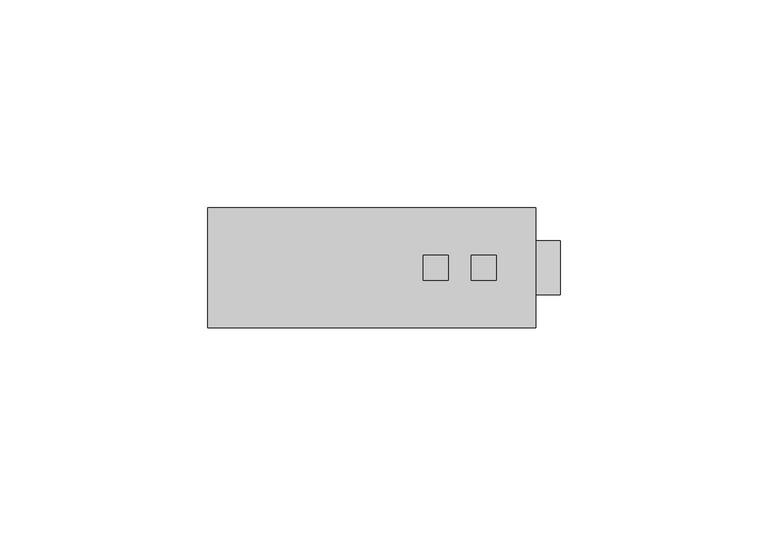
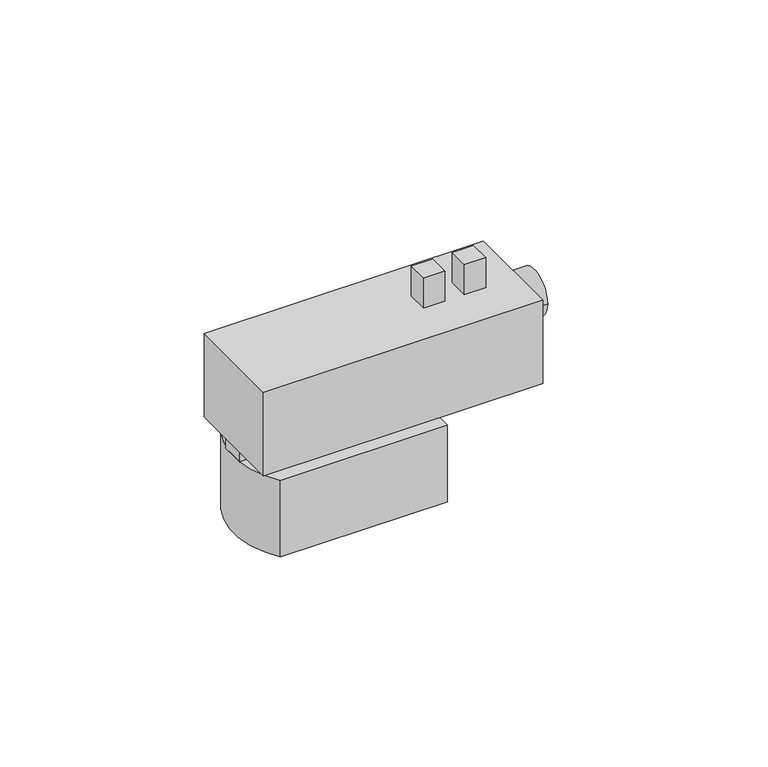
"""IFC4 building model written with IfcOpenShell, lengths in millimetres: proxy geometry."""

from ifc_helpers import new_model, si_unit, point, frame, frame_2d, origin, place, context, project, spatial, polyline, circle_curve, trimmed, segment, composite_curve, outline, extrude, source, transform, mapped, element, save


def specialty_equipment_145da851(model_context):
    return source(origin(), model_context, "Body", "SweptSolid", [
        extrude(outline(composite_curve([segment(trimmed(circle_curve(frame_2d((2.9650114, -10.5)), 24.2150114), [point((-16.428719, -25.0))], [point((-16.428719, 4.0))], False, "CARTESIAN"), True, "CONTINUOUS"), segment(polyline([(-16.428719, 4.0), (30.75, 4.0), (30.75, -25.0), (-16.428719, -25.0)]), True, "CONTINUOUS")], self_intersect=False)), frame((0.0, 0.0, 5.5), z_axis=(0.0, 0.0, 1.0), x_axis=(1.0, 0.0, 0.0)), (0.0, 0.0, 1.0), 23.0),
        extrude(outline(composite_curve([segment(trimmed(circle_curve(frame_2d((-10.5, 48.3)), 6.5), [point((-4.0, 48.3))], [point((-17.0, 48.3))], False, "CARTESIAN"), True, "CONTINUOUS"), segment(trimmed(circle_curve(frame_2d((-10.5, 48.3)), 6.5), [point((-17.0, 48.3))], [point((-4.0, 48.3))], False, "CARTESIAN"), True, "CONTINUOUS")], self_intersect=False)), frame((57.75, 0.0, 0.0), z_axis=(1.0, 0.0, 0.0), x_axis=(0.0, 1.0, 0.0)), (0.0, 0.0, 1.0), 6.0),
        extrude(outline(polyline([(36.75, -7.5), (36.75, -13.5), (30.75, -13.5), (30.75, -7.5), (36.75, -7.5)])), frame((0.0, 0.0, 56.5), z_axis=(0.0, 0.0, 1.0), x_axis=(1.0, 0.0, 0.0)), (0.0, 0.0, 1.0), 9.0),
        extrude(outline(polyline([(48.2621283, -7.5), (48.2621283, -13.5), (42.2621283, -13.5), (42.2621283, -7.5), (48.2621283, -7.5)])), frame((0.0, 0.0, 56.5), z_axis=(0.0, 0.0, 1.0), x_axis=(1.0, 0.0, 0.0)), (0.0, 0.0, 1.0), 9.0),
        extrude(outline(polyline([(57.75, 4.0), (57.75, -25.0), (-21.25, -25.0), (-21.25, 4.0), (57.75, 4.0)])), frame((0.0, 0.0, 31.5), z_axis=(0.0, 0.0, 1.0), x_axis=(1.0, 0.0, 0.0)), (0.0, 0.0, 1.0), 25.0),
        extrude(outline(polyline([(10.0, -6.6044985), (10.0, -13.5), (0.0, -13.5), (0.0, -6.6044985), (10.0, -6.6044985)])), frame((0.0, 0.0, 28.5), z_axis=(0.0, 0.0, 1.0), x_axis=(1.0, 0.0, 0.0)), (0.0, 0.0, 1.0), 3.0),
        extrude(outline(polyline([(30.75, -6.6044985), (30.75, -13.5), (22.75, -13.5), (22.75, -6.6044985), (30.75, -6.6044985)])), frame((0.0, 0.0, 28.5), z_axis=(0.0, 0.0, 1.0), x_axis=(1.0, 0.0, 0.0)), (0.0, 0.0, 1.0), 3.0),
        extrude(outline(polyline([(-13.2677734, -6.6044985), (-13.2677734, -13.5), (-21.2677734, -13.5), (-21.2677734, -6.6044985), (-13.2677734, -6.6044985)])), frame((0.0, 0.0, 28.5), z_axis=(0.0, 0.0, 1.0), x_axis=(1.0, 0.0, 0.0)), (0.0, 0.0, 1.0), 3.0),
    ])


if __name__ == "__main__":
    model = new_model("IFC4")
    model_context = context("Model", 3, world=origin())
    ifc_project = project(units=[si_unit("LENGTHUNIT", "METRE", prefix="MILLI")], contexts=[model_context])
    site = spatial("IfcSite", under=ifc_project)
    building = spatial("IfcBuilding", under=site)
    placement = place(None, origin())
    specialty_equipment_shape = specialty_equipment_145da851(model_context)
    element("IfcBuildingElementProxy", 1, Name="Specialty Equipment", at=placement, inside=building, context=model_context, shape_type="MappedRepresentation", body=[
        mapped(specialty_equipment_shape, transform((0.0, 0.0, 0.0), x_axis=(1.0, 0.0, 0.0), y_axis=(0.0, 1.0, 0.0), z_axis=(0.0, 0.0, 1.0))),
    ])
    save(model, "model.ifc")
